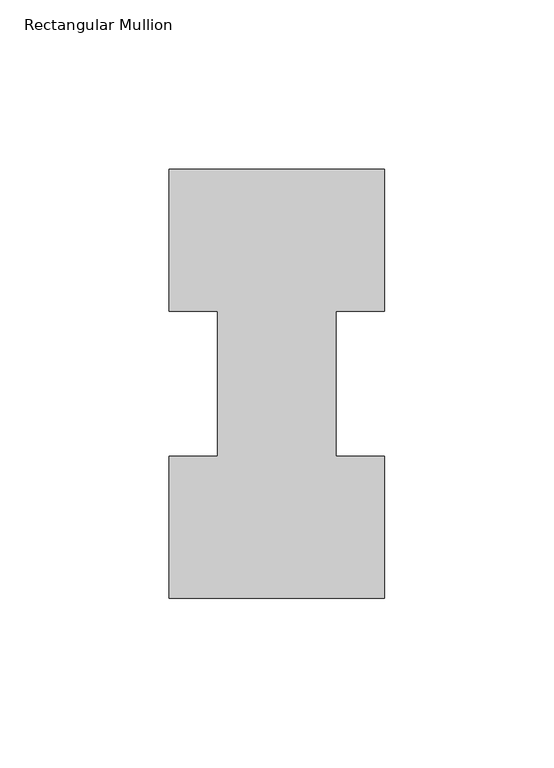
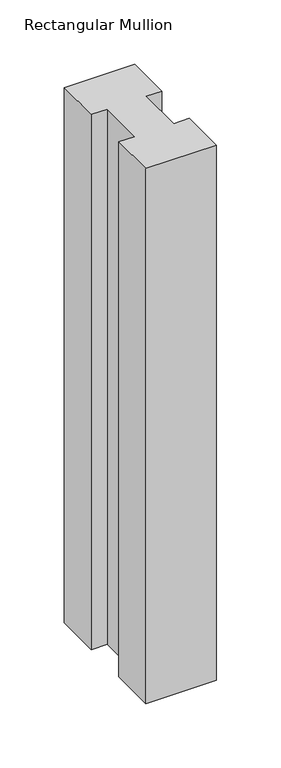
"""IFC4 building model written with IfcOpenShell, lengths in millimetres: member geometry, Rectangular Mullion."""

from ifc_helpers import new_model, si_unit, frame, origin, place, context, project, spatial, polyline, outline, extrude, source, transform, mapped, element, save


def rectangular_mullion_a36d7a91(model_context):
    return source(origin(), model_context, "Body", "SweptSolid", [
        extrude(outline(polyline([(-63.5, -0.0373063), (-63.5, 41.7837937), (-49.2125, 41.7837937), (-49.2125, 84.6335938), (-63.5, 84.6335938), (-63.5, 126.4546937), (0.0, 126.4546937), (0.0, 84.6335938), (-14.2748, 84.6335938), (-14.2748, 41.7837937), (0.0, 41.7837937), (0.0, -0.0373063), (-63.5, -0.0373063)])), frame((0.0, 0.0, -508.152387), z_axis=(0.0, 0.0, 1.0), x_axis=(1.0, 0.0, 0.0)), (0.0, 0.0, 1.0), 508.152387),
    ])


if __name__ == "__main__":
    model = new_model("IFC4")
    model_context = context("Model", 3, world=origin())
    ifc_project = project(units=[si_unit("LENGTHUNIT", "METRE", prefix="MILLI")], contexts=[model_context])
    site = spatial("IfcSite", under=ifc_project)
    building = spatial("IfcBuilding", under=site)
    placement = place(None, origin())
    rectangular_mullion_shape = rectangular_mullion_a36d7a91(model_context)
    element("IfcMember", 1, ObjectType="Rectangular Mullion", at=placement, inside=building, context=model_context, shape_type="MappedRepresentation", body=[
        mapped(rectangular_mullion_shape, transform((0.0, 0.0, 0.0), x_axis=(1.0, 0.0, 0.0), y_axis=(0.0, 1.0, 0.0), z_axis=(0.0, 0.0, 1.0))),
    ])
    save(model, "model.ifc")
